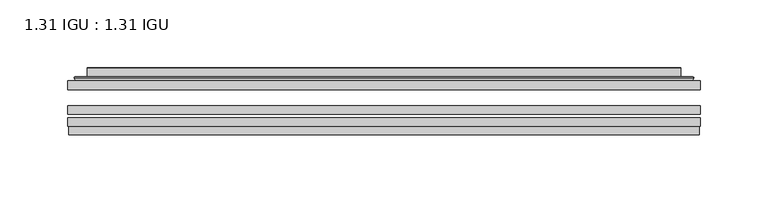
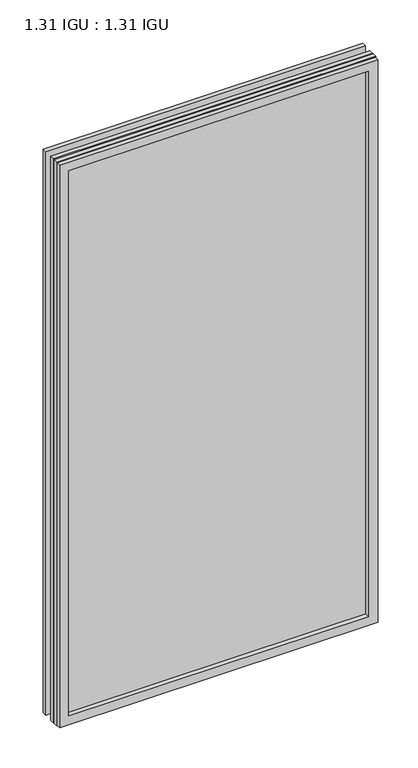
"""IFC4 building model written with IfcOpenShell, lengths in millimetres: plate geometry, 1.31 IGU : 1.31 IGU."""

from ifc_helpers import new_model, si_unit, frame, origin, place, context, project, spatial, polyline, ellipse_curve, outline, extrude, faceted_brep, source, transform, mapped, element, save
from ifc_brep_helpers import plane_surface, cylinder_surface, advanced_brep


def plate_1_31_igu_1_31_igu_38033bb3(model_context):
    return source(origin(), model_context, "Body", "SolidModel", [
        extrude(outline(polyline([(233.376675, -63.59525), (233.376675, -69.94525), (-233.3625, -69.94525), (-233.3625, -63.59525), (233.376675, -63.59525)])), frame((0.0, 0.0, -14.2875), z_axis=(0.0, 0.0, 1.0), x_axis=(1.0, 0.0, 0.0)), (0.0, 0.0, 1.0), 869.9537979),
        extrude(outline(polyline([(-233.3625, -78.58125), (-233.3625, -72.230745), (233.376675, -72.230745), (233.376675, -78.58125), (-233.3625, -78.58125)])), frame((0.0, 0.0, -14.2875), z_axis=(0.0, 0.0, 1.0), x_axis=(1.0, 0.0, 0.0)), (0.0, 0.0, 1.0), 869.9537979),
        extrude(outline(polyline([(233.376675, -45.25645), (233.376675, -51.60645), (-233.3625, -51.60645), (-233.3625, -45.25645), (233.376675, -45.25645)])), frame((0.0, 0.0, -14.2875), z_axis=(0.0, 0.0, 1.0), x_axis=(1.0, 0.0, 0.0)), (0.0, 0.0, 1.0), 869.9537979),
        faceted_brep([(-232.6623142, -84.93125, 854.9623142), (-232.6623142, -78.58125, 854.9623142), (-232.6623142, -78.58125, -13.5873142), (-232.6623142, -84.93125, -13.5873142), (232.6623142, -78.58125, -13.5873142), (232.6623142, -84.93125, -13.5873142), (232.6623142, -78.58125, 854.9623142), (232.6623142, -84.93125, 854.9623142), (-218.1772559, -78.58125, 0.8977441), (218.1772559, -78.58125, 0.8977441), (218.1772559, -78.58125, 840.4772559), (-218.1772559, -78.58125, 840.4772559), (-219.0696902, -84.93125, 841.3696902), (219.0696902, -84.93125, 841.3696902), (219.0696902, -84.93125, 0.0053098), (-219.0696902, -84.93125, 0.0053098)], [[[0, 1, 2, 3]], [[3, 2, 4, 5]], [[5, 4, 6, 7]], [[1, 6, 4, 2], [8, 9, 10, 11]], [[7, 6, 1, 0]], [[3, 5, 7, 0], [12, 13, 14, 15]], [[11, 12, 15, 8]], [[8, 15, 14, 9]], [[9, 14, 13, 10]], [[10, 13, 12, 11]]]),
        advanced_brep(
        [(-226.121219, -45.25645, 848.4212191), (-228.4754244, -43.2667833, 850.7754244), (-228.4754244, -43.2667833, -9.4004244), (-226.121219, -45.25645, -7.046219), (-217.0468939, -41.416413, 839.3468939), (-212.1120621, -45.25645, 834.4120621), (-212.1120621, -45.25645, 6.9629379), (-217.0468939, -41.416413, 2.0281061), (-218.0789217, -36.0191819, 840.3789217), (-218.0789217, -36.0191819, 0.9960783), (-219.0695784, -35.6202069, 841.3695784), (-219.0695784, -35.6202069, 0.0054216), (-219.0695784, -42.08145, 841.3695784), (-219.0695784, -42.08145, 0.0054216), (-227.4736349, -42.08145, 849.7736349), (-227.4736349, -42.08145, -8.3986349), (228.4754244, -43.2667833, -9.4004244), (226.121219, -45.25645, -7.046219), (212.1120621, -45.25645, 6.9629379), (217.0468939, -41.416413, 2.0281061), (218.0789217, -36.0191819, 0.9960783), (219.0695784, -35.6202069, 0.0054216), (219.0695784, -42.08145, 0.0054216), (227.4736349, -42.08145, -8.3986349), (228.4754244, -43.2667833, 850.7754244), (226.121219, -45.25645, 848.4212191), (212.1120621, -45.25645, 834.4120621), (217.0468939, -41.416413, 839.3468939), (218.0789217, -36.0191819, 840.3789217), (219.0695784, -35.6202069, 841.3695784), (219.0695784, -42.08145, 841.3695784), (227.4736349, -42.08145, 849.7736349)],
        [
            (0, 1, ellipse_curve(frame((-226.121219, -42.86885, 848.4212191), z_axis=(-0.7071067811865475, 0.0, -0.7071067811865475), x_axis=(-0.7071067811865474, 0.0, 0.7071067811865476)), 3.3765763, 2.3876)),
            (1, 2),
            (2, 3, ellipse_curve(frame((-226.121219, -42.86885, -7.046219), z_axis=(-0.7071067811865475, 0.0, 0.7071067811865475), x_axis=(0.7071067811865474, 0.0, 0.7071067811865476)), 3.3765763, 2.3876)),
            (3, 0),
            (4, 5),
            (5, 6),
            (6, 7),
            (7, 4),
            (8, 4),
            (7, 9),
            (9, 8),
            (10, 8, ellipse_curve(frame((-218.7026219, -36.1384423, 841.0026219), z_axis=(-0.7071067811865475, 0.0, -0.7071067811865475), x_axis=(-0.7071067811865474, 0.0, 0.7071067811865476)), 0.8980256, 0.635)),
            (9, 11, ellipse_curve(frame((-218.7026219, -36.1384423, 0.3723781), z_axis=(-0.7071067811865475, 0.0, 0.7071067811865475), x_axis=(0.7071067811865474, 0.0, 0.7071067811865476)), 0.8980256, 0.635)),
            (11, 10),
            (12, 10),
            (11, 13),
            (13, 12),
            (1, 14, ellipse_curve(frame((-227.4736349, -43.09745, 849.7736349), z_axis=(-0.7071067811865475, 0.0, -0.7071067811865475), x_axis=(-0.7071067811865474, 0.0, 0.7071067811865476)), 1.436841, 1.016)),
            (14, 15),
            (15, 2, ellipse_curve(frame((-227.4736349, -43.09745, -8.3986349), z_axis=(-0.7071067811865475, 0.0, 0.7071067811865475), x_axis=(0.7071067811865474, 0.0, 0.7071067811865476)), 1.436841, 1.016)),
            (2, 16),
            (16, 17, ellipse_curve(frame((226.121219, -42.86885, -7.046219), z_axis=(-0.7071067811865475, 0.0, -0.7071067811865475), x_axis=(-0.7071067811865476, 0.0, 0.7071067811865474)), 3.3765763, 2.3876)),
            (17, 3),
            (6, 18),
            (18, 19),
            (19, 7),
            (19, 20),
            (20, 9),
            (20, 21, ellipse_curve(frame((218.7026219, -36.1384423, 0.3723781), z_axis=(-0.7071067811865475, 0.0, -0.7071067811865475), x_axis=(-0.7071067811865476, 0.0, 0.7071067811865474)), 0.8980256, 0.635)),
            (21, 11),
            (21, 22),
            (22, 13),
            (15, 23),
            (23, 16, ellipse_curve(frame((227.4736349, -43.09745, -8.3986349), z_axis=(-0.7071067811865475, 0.0, -0.7071067811865475), x_axis=(-0.7071067811865476, 0.0, 0.7071067811865474)), 1.436841, 1.016)),
            (16, 24),
            (24, 25, ellipse_curve(frame((226.121219, -42.86885, 848.4212191), z_axis=(0.7071067811865475, 0.0, -0.7071067811865475), x_axis=(-0.7071067811865474, 0.0, -0.7071067811865476)), 3.3765763, 2.3876)),
            (25, 17),
            (18, 26),
            (26, 27),
            (27, 19),
            (27, 28),
            (28, 20),
            (28, 29, ellipse_curve(frame((218.7026219, -36.1384423, 841.0026219), z_axis=(0.7071067811865475, 0.0, -0.7071067811865475), x_axis=(-0.7071067811865474, 0.0, -0.7071067811865476)), 0.8980256, 0.635)),
            (29, 21),
            (29, 30),
            (30, 22),
            (23, 31),
            (31, 24, ellipse_curve(frame((227.4736349, -43.09745, 849.7736349), z_axis=(0.7071067811865475, 0.0, -0.7071067811865475), x_axis=(-0.7071067811865474, 0.0, -0.7071067811865476)), 1.436841, 1.016)),
            (24, 1),
            (0, 25),
            (5, 26),
            (4, 27),
            (8, 28),
            (10, 29),
            (12, 30),
            (14, 31),
        ],
        [
            cylinder_surface(frame((-226.121219, -42.86885, 873.125), z_axis=(0.0, 0.0, 1.0), x_axis=(-1.0, 0.0, 0.0)), 2.3876),
            plane_surface(frame((-212.1120621, -45.25645, 834.4120621), z_axis=(0.6141233906514794, 0.7892100234124821, 0.0), x_axis=(0.0, 0.0, -1.0))),
            plane_surface(frame((-217.0468939, -41.416413, 839.3468939), z_axis=(0.9822050625507729, 0.18781164793386074, 0.0), x_axis=(0.0, 0.0, -1.0))),
            cylinder_surface(frame((-218.7026219, -36.1384423, 873.125), z_axis=(0.0, 0.0, 1.0), x_axis=(-1.0, 0.0, 0.0)), 0.635),
            plane_surface(frame((-219.0695784, -35.6202069, 841.3695784), z_axis=(-1.0, 0.0, 0.0), x_axis=(0.0, 0.0, -1.0))),
            cylinder_surface(frame((-227.4736349, -43.09745, 873.125), z_axis=(0.0, 0.0, 1.0), x_axis=(-1.0, 0.0, 0.0)), 1.016),
            cylinder_surface(frame((-250.825, -42.86885, -7.046219), z_axis=(-1.0, 0.0, 0.0), x_axis=(0.0, 0.0, -1.0)), 2.3876),
            plane_surface(frame((-212.1120621, -45.25645, 6.9629379), z_axis=(0.0, 0.7892100234124841, 0.6141233906514768), x_axis=(1.0, 0.0, 0.0))),
            plane_surface(frame((-217.0468939, -41.416413, 2.0281061), z_axis=(0.0, 0.18781164793386393, 0.9822050625507723), x_axis=(1.0, 0.0, 0.0))),
            cylinder_surface(frame((-250.825, -36.1384423, 0.3723781), z_axis=(-1.0, 0.0, 0.0), x_axis=(0.0, 0.0, -1.0)), 0.635),
            plane_surface(frame((-219.0695784, -35.6202069, 0.0054216), z_axis=(0.0, 0.0, -1.0), x_axis=(1.0, 0.0, 0.0))),
            cylinder_surface(frame((-250.825, -43.09745, -8.3986349), z_axis=(-1.0, 0.0, 0.0), x_axis=(0.0, 0.0, -1.0)), 1.016),
            cylinder_surface(frame((226.121219, -42.86885, -31.75), z_axis=(0.0, 0.0, -1.0), x_axis=(1.0, 0.0, 0.0)), 2.3876),
            plane_surface(frame((212.1120621, -45.25645, 6.9629379), z_axis=(-0.6141233906514743, 0.7892100234124861, 0.0), x_axis=(0.0, 0.0, 1.0))),
            plane_surface(frame((217.0468939, -41.416413, 2.0281061), z_axis=(-0.9822050625507718, 0.18781164793386712, 0.0), x_axis=(0.0, 0.0, 1.0))),
            cylinder_surface(frame((218.7026219, -36.1384423, -31.75), z_axis=(0.0, 0.0, -1.0), x_axis=(1.0, 0.0, 0.0)), 0.635),
            plane_surface(frame((219.0695784, -35.6202069, 0.0054216), z_axis=(1.0, 0.0, 0.0), x_axis=(0.0, 0.0, 1.0))),
            cylinder_surface(frame((227.4736349, -43.09745, -31.75), z_axis=(0.0, 0.0, -1.0), x_axis=(1.0, 0.0, 0.0)), 1.016),
            cylinder_surface(frame((250.825, -42.86885, 848.4212191), z_axis=(1.0, 0.0, 0.0), x_axis=(0.0, 0.0, 1.0)), 2.3876),
            plane_surface(frame((226.121219, -45.25645, 848.4212191), z_axis=(0.0, -1.0, 0.0), x_axis=(-1.0, 0.0, 0.0))),
            plane_surface(frame((212.1120621, -45.25645, 834.4120621), z_axis=(0.0, 0.7892100234124841, -0.6141233906514768), x_axis=(-1.0, 0.0, 0.0))),
            plane_surface(frame((217.0468939, -41.416413, 839.3468939), z_axis=(0.0, 0.18781164793386393, -0.9822050625507723), x_axis=(-1.0, 0.0, 0.0))),
            cylinder_surface(frame((250.825, -36.1384423, 841.0026219), z_axis=(1.0, 0.0, 0.0), x_axis=(0.0, 0.0, 1.0)), 0.635),
            plane_surface(frame((219.0695784, -35.6202069, 841.3695784), z_axis=(0.0, 0.0, 1.0), x_axis=(-1.0, 0.0, 0.0))),
            plane_surface(frame((219.0695784, -42.08145, 841.3695784), z_axis=(0.0, 1.0, 0.0), x_axis=(-1.0, 0.0, 0.0))),
            cylinder_surface(frame((250.825, -43.09745, 849.7736349), z_axis=(1.0, 0.0, 0.0), x_axis=(0.0, 0.0, 1.0)), 1.016),
        ],
        [
            (0, [[1, 2, 3, 4]]),
            (1, [[5, 6, 7, 8]]),
            (2, [[9, -8, 10, 11]]),
            (3, [[12, -11, 13, 14]]),
            (4, [[15, -14, 16, 17]]),
            (5, [[18, 19, 20, -2]]),
            (6, [[-3, 21, 22, 23]]),
            (7, [[-7, 24, 25, 26]]),
            (8, [[-10, -26, 27, 28]]),
            (9, [[-13, -28, 29, 30]]),
            (10, [[-16, -30, 31, 32]]),
            (11, [[-20, 33, 34, -21]]),
            (12, [[-22, 35, 36, 37]]),
            (13, [[-25, 38, 39, 40]]),
            (14, [[-27, -40, 41, 42]]),
            (15, [[-29, -42, 43, 44]]),
            (16, [[-31, -44, 45, 46]]),
            (17, [[-34, 47, 48, -35]]),
            (18, [[-36, 49, -1, 50]]),
            (19, [[-23, -37, -50, -4], [51, -38, -24, -6]]),
            (20, [[-39, -51, -5, 52]]),
            (21, [[-41, -52, -9, 53]]),
            (22, [[-43, -53, -12, 54]]),
            (23, [[-45, -54, -15, 55]]),
            (24, [[56, -47, -33, -19], [-32, -46, -55, -17]]),
            (25, [[-48, -56, -18, -49]]),
        ],
    ),
    ])


if __name__ == "__main__":
    model = new_model("IFC4")
    model_context = context("Model", 3, world=origin())
    ifc_project = project(units=[si_unit("LENGTHUNIT", "METRE", prefix="MILLI")], contexts=[model_context])
    site = spatial("IfcSite", under=ifc_project)
    building = spatial("IfcBuilding", under=site)
    placement = place(None, origin())
    plate_1_31_igu_1_31_igu_shape = plate_1_31_igu_1_31_igu_38033bb3(model_context)
    element("IfcPlate", 1, ObjectType="1.31 IGU : 1.31 IGU", at=placement, inside=building, context=model_context, shape_type="MappedRepresentation", body=[
        mapped(plate_1_31_igu_1_31_igu_shape, transform((0.0, 0.0, 0.0), x_axis=(1.0, 0.0, 0.0), y_axis=(0.0, 1.0, 0.0), z_axis=(0.0, 0.0, 1.0))),
    ])
    save(model, "model.ifc")
